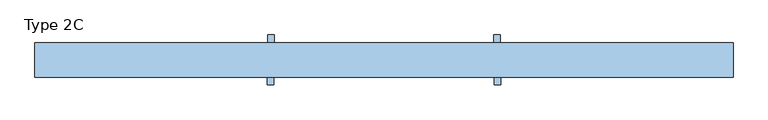
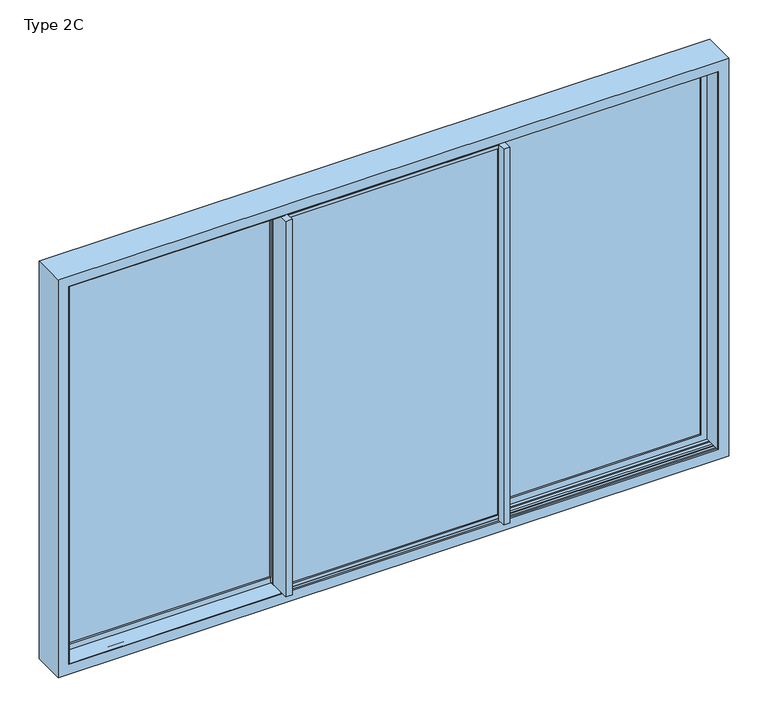
"""IFC4 building model written with IfcOpenShell, lengths in millimetres: window geometry, Type 2C."""

from ifc_helpers import new_model, si_unit, frame, origin, origin_with_axes, place, context, project, spatial, polyline, outline, extrude, faceted_brep, source, transform, mapped, element, save


def type_2c_edeb2201(model_context):
    return source(origin(), model_context, "Body", "SolidModel", [
        extrude(outline(polyline([(2120.2000011, -583.279797), (12.7999989, -583.279797), (12.7999989, 583.279797), (2120.2000011, 583.279797), (2120.2000011, -583.279797)]), holes=[polyline([(2101.4202041, 564.5), (31.5797959, 564.5), (31.5797959, -564.5), (2101.4202041, -564.5), (2101.4202041, 564.5)])]), frame((0.0, -17.0, 0.0), z_axis=(0.0, 1.0, 0.0), x_axis=(0.0, 0.0, 1.0)), (0.0, 0.0, 1.0), 7.7200134),
        faceted_brep([(595.5, -17.0, -15.1996996), (595.5, -14.5, -15.1996996), (595.5, -14.5, 2.7998487), (595.5, 47.5000001, 2.7998487), (595.5, 47.5000001, -15.1996996), (595.5, 50.0, -15.1996996), (595.5, 50.0, 5.8356019), (595.5, 69.4999931, 5.8356019), (595.5, 69.4999931, 2127.2000011), (595.5, 50.0, 2127.2000011), (595.5, 50.0, 2148.1996996), (595.5, 47.5000001, 2148.1996996), (595.5, 47.5000001, 2130.2001513), (595.5, -14.5, 2130.2001513), (595.5, -14.5, 2148.1996996), (595.5, -17.0, 2148.1996996), (-595.5, -17.0, -15.1996996), (-595.5, -14.5, -15.1996996), (-595.5, -14.5, 2.7998487), (-595.5, 47.5000001, 2.7998487), (-595.5, 47.5000001, -15.1996996), (-595.5, 50.0, -15.1996996), (-595.5, 50.0, 2148.1996996), (580.0, 50.0, 2127.2000011), (580.0, 50.0, 5.8356019), (-580.0, 50.0, 5.8356019), (-562.2, 50.0, 5.8356019), (-562.2, 50.0, 31.5797959), (562.2, 50.0, 31.5797959), (562.2, 50.0, 2101.4202041), (-562.2, 50.0, 2101.4202041), (-562.2, 50.0, 2127.2000011), (-580.0, 50.0, 2127.2000011), (580.0, 69.4999931, 5.8356019), (580.0, 69.4999931, 2127.2000011), (-595.5, -17.0, 2148.1996996), (583.279797, -17.0, 12.7999989), (-583.279797, -17.0, 12.7999989), (-583.279797, -17.0, 2120.2000011), (583.279797, -17.0, 2120.2000011), (-595.5, -14.5, 2148.1996996), (-595.5, -14.5, 2130.2001513), (-595.5, 47.5000001, 2130.2001513), (-595.5, 47.5000001, 2148.1996996), (-580.0, 69.4999931, 5.8356019), (-562.2, 69.4999931, 5.8356019), (-580.0, 69.4999931, 2127.2000011), (-562.2, 69.4999931, 2127.2000011), (-562.2, 40.0, 2101.4202041), (-562.2, 40.0, 31.5797959), (562.2, 40.0, 31.5797959), (562.2, 40.0, 2101.4202041), (583.279797, 40.0, 12.7999989), (583.279797, 40.0, 2120.2000011), (-583.279797, 40.0, 2120.2000011), (-583.279797, 40.0, 12.7999989)], [[[0, 1, 2, 3, 4, 5, 6, 7, 8, 9, 10, 11, 12, 13, 14, 15]], [[1, 0, 16, 17]], [[2, 1, 17, 18]], [[3, 2, 18, 19]], [[4, 3, 19, 20]], [[5, 4, 20, 21]], [[5, 21, 22, 10, 9, 23, 24, 6], [25, 26, 27, 28, 29, 30, 31, 32]], [[24, 33, 7, 6]], [[34, 8, 7, 33]], [[35, 16, 0, 15], [36, 37, 38, 39]], [[21, 20, 19, 18, 17, 16, 35, 40, 41, 42, 43, 22]], [[25, 44, 45, 26]], [[46, 47, 45, 44]], [[25, 32, 46, 44]], [[23, 34, 33, 24]], [[45, 47, 31, 30, 48, 49, 27, 26]], [[50, 28, 27, 49]], [[28, 50, 51, 29]], [[52, 53, 54, 55], [51, 50, 49, 48]], [[52, 36, 39, 53]], [[55, 54, 38, 37]], [[36, 52, 55, 37]], [[8, 34, 23, 9]], [[29, 51, 48, 30]], [[54, 53, 39, 38]], [[15, 14, 40, 35]], [[14, 13, 41, 40]], [[13, 12, 42, 41]], [[12, 11, 43, 42]], [[11, 10, 22, 43]], [[47, 46, 32, 31]]]),
        extrude(outline(polyline([(-583.279797, 40.0), (583.279797, 40.0), (583.279797, -9.2799866), (-583.279797, -9.2799866), (-583.279797, 40.0)])), frame((0.0, 0.0, 12.7999989), z_axis=(0.0, 0.0, 1.0), x_axis=(1.0, 0.0, 0.0)), (0.0, 0.0, 1.0), 2107.4000022),
        extrude(outline(polyline([(-564.5, -17.0), (-564.5, -66.0000069), (-598.5, -66.0000069), (-598.5, 49.9999931), (-595.5, 49.9999931), (-595.5, -17.0), (-564.5, -17.0)])), frame((0.0, 0.0, 5.8356019), z_axis=(0.0, 0.0, 1.0), x_axis=(1.0, 0.0, 0.0)), (0.0, 0.0, 1.0), 2121.3643992),
        extrude(outline(polyline([(564.5, -17.0), (595.5, -17.0), (595.5, 69.4999931), (598.5, 69.4999931), (598.5, -66.0000069), (564.5, -66.0000069), (564.5, -17.0)])), frame((0.0, 0.0, 5.8356019), z_axis=(0.0, 0.0, 1.0), x_axis=(1.0, 0.0, 0.0)), (0.0, 0.0, 1.0), 2121.3643992),
        extrude(outline(polyline([(2120.2000011, 576.720203), (12.7999989, 576.720203), (12.7999989, 1717.5000011), (2120.2000011, 1717.5000011), (2120.2000011, 576.720203)]), holes=[polyline([(2101.4202041, 1698.7202041), (31.5797959, 1698.7202041), (31.5797959, 595.5), (2101.4202041, 595.5), (2101.4202041, 1698.7202041)])]), frame((0.0, 132.2799866, 0.0), z_axis=(0.0, 1.0, 0.0), x_axis=(0.0, 0.0, 1.0)), (0.0, 0.0, 1.0), 7.7200134),
        faceted_brep([(1698.7202041, 73.0, 31.5797959), (1698.7202041, 83.0, 31.5797959), (597.8, 83.0, 31.5797959), (597.8, 73.0, 31.5797959), (1717.5000011, 83.0, 12.7999989), (1717.5000011, 140.0, 12.7999989), (576.720203, 140.0, 12.7999989), (576.720203, 83.0, 12.7999989), (564.5, 137.5, -15.1996996), (564.5, 140.0, -15.1996996), (1751.599999, 140.0, -15.1996996), (1751.599999, 73.0, -15.1996996), (564.5, 73.0, -15.1996996), (564.5, 75.4999999, -15.1996996), (1745.4996996, 75.4999999, -15.1996996), (1745.4996996, 137.5, -15.1996996), (564.5, 137.5, 2.7998487), (564.5, 75.4999999, 2.7998487), (564.5, 73.0, 5.8356019), (564.5, 73.0, 2127.2000011), (564.5, 73.0, 2148.1996996), (564.5, 75.4999999, 2148.1996996), (564.5, 75.4999999, 2130.2001513), (564.5, 137.5, 2130.2001513), (564.5, 137.5, 2148.1996996), (564.5, 140.0, 2148.1996996), (1751.599999, 140.0, 2148.1996996), (1717.5000011, 140.0, 2120.2000011), (576.720203, 140.0, 2120.2000011), (1751.599999, 73.0, 2148.1996996), (580.0, 73.0, 2127.2000011), (580.0, 73.0, 5.8356019), (1698.7202041, 73.0, 2101.4202041), (597.8, 73.0, 2101.4202041), (1717.5000011, 83.0, 2120.2000011), (576.720203, 83.0, 2120.2000011), (1698.7202041, 83.0, 2101.4202041), (597.8, 83.0, 2101.4202041), (1745.4996996, 137.5, 2148.1996996), (1727.5001513, 137.5, 2130.2001513), (1727.5001513, 137.5, 2.7998487), (1727.5001513, 75.4999999, 2.7998487), (1727.5001513, 75.4999999, 2130.2001513), (1745.4996996, 75.4999999, 2148.1996996), (580.0, 53.5, 5.8356019), (561.5, 53.5, 5.8356019), (561.5, 73.0, 5.8356019), (561.5, 73.0, 2127.2000011), (561.5, 53.5, 2127.2000011), (580.0, 53.5, 2127.2000011)], [[[0, 1, 2, 3]], [[4, 5, 6, 7]], [[8, 9, 10, 11, 12, 13, 14, 15]], [[9, 8, 16, 17, 13, 12, 18, 19, 20, 21, 22, 23, 24, 25]], [[26, 10, 9, 25], [5, 27, 28, 6]], [[11, 29, 20, 19, 30, 31, 18, 12], [32, 0, 3, 33]], [[34, 4, 7, 35], [1, 36, 37, 2]], [[16, 8, 15, 38, 24, 23, 39, 40]], [[17, 16, 40, 41]], [[13, 17, 41, 42, 22, 21, 43, 14]], [[0, 32, 36, 1]], [[2, 37, 33, 3]], [[11, 10, 26, 29]], [[4, 34, 27, 5]], [[6, 28, 35, 7]], [[15, 14, 43, 38]], [[40, 39, 42, 41]], [[21, 20, 29, 26, 25, 24, 38, 43]], [[23, 22, 42, 39]], [[36, 32, 33, 37]], [[27, 34, 35, 28]], [[31, 44, 45, 46, 18]], [[47, 48, 49, 30, 19]], [[49, 48, 45, 44]], [[46, 47, 19, 18]], [[30, 49, 44, 31]], [[48, 47, 46, 45]]]),
        extrude(outline(polyline([(1717.5000011, 83.0), (576.720203, 83.0), (576.720203, 132.2799866), (1717.5000011, 132.2799866), (1717.5000011, 83.0)])), frame((0.0, 0.0, 12.7999989), z_axis=(0.0, 0.0, 1.0), x_axis=(1.0, 0.0, 0.0)), (0.0, 0.0, 1.0), 2107.4000022),
        extrude(outline(polyline([(595.5, 140.0), (564.5, 140.0), (564.5, 73.0000069), (561.5, 73.0000069), (561.5, 189.0000069), (595.5, 189.0000069), (595.5, 140.0)])), frame((0.0, 0.0, 5.8356019), z_axis=(0.0, 0.0, 1.0), x_axis=(1.0, 0.0, 0.0)), (0.0, 0.0, 1.0), 2121.3643992),
        extrude(outline(polyline([(2120.2000011, -576.720203), (2120.2000011, -1717.5000011), (12.7999989, -1717.5000011), (12.7999989, -576.720203), (2120.2000011, -576.720203)]), holes=[polyline([(2101.4202041, -1698.7202041), (2101.4202041, -595.5), (31.5797959, -595.5), (31.5797959, -1698.7202041), (2101.4202041, -1698.7202041)])]), frame((0.0, 132.2799866, 0.0), z_axis=(0.0, 1.0, 0.0), x_axis=(0.0, 0.0, 1.0)), (0.0, 0.0, 1.0), 7.7200134),
        faceted_brep([(-1698.7202041, 73.0, 31.5797959), (-597.8, 73.0, 31.5797959), (-597.8, 83.0, 31.5797959), (-1698.7202041, 83.0, 31.5797959), (-1717.5000011, 83.0, 12.7999989), (-576.720203, 83.0, 12.7999989), (-576.720203, 140.0, 12.7999989), (-1717.5000011, 140.0, 12.7999989), (-564.5, 137.5, -15.1996996), (-1745.4996996, 137.5, -15.1996996), (-1745.4996996, 75.4999999, -15.1996996), (-564.5, 75.4999999, -15.1996996), (-564.5, 73.0, -15.1996996), (-1751.599999, 73.0, -15.1996996), (-1751.599999, 140.0, -15.1996996), (-564.5, 140.0, -15.1996996), (-564.5, 140.0, 2148.1996996), (-564.5, 137.5, 2148.1996996), (-564.5, 137.5, 2130.2001513), (-564.5, 75.4999999, 2130.2001513), (-564.5, 75.4999999, 2148.1996996), (-564.5, 73.0, 2148.1996996), (-564.5, 75.4999999, 2.7998487), (-564.5, 137.5, 2.7998487), (-1751.599999, 140.0, 2148.1996996), (-576.720203, 140.0, 2120.2000011), (-1717.5000011, 140.0, 2120.2000011), (-1751.599999, 73.0, 2148.1996996), (-1698.7202041, 73.0, 2101.4202041), (-597.8, 73.0, 2101.4202041), (-580.0, 73.0, 2127.2000011), (-580.0, 73.0, 5.8356019), (-597.5, 73.0, 5.8356019), (-597.5, 73.0, 2127.2000011), (-1717.5000011, 83.0, 2120.2000011), (-576.720203, 83.0, 2120.2000011), (-597.8, 83.0, 2101.4202041), (-1698.7202041, 83.0, 2101.4202041), (-1727.5001513, 137.5, 2.7998487), (-1727.5001513, 137.5, 2130.2001513), (-1745.4996996, 137.5, 2148.1996996), (-1727.5001513, 75.4999999, 2.7998487), (-1745.4996996, 75.4999999, 2148.1996996), (-1727.5001513, 75.4999999, 2130.2001513), (-580.0, 53.5, 5.8356019), (-597.5, 53.5, 5.8356019), (-597.5, 53.5, 2127.2000011), (-580.0, 53.5, 2127.2000011)], [[[0, 1, 2, 3]], [[4, 5, 6, 7]], [[8, 9, 10, 11, 12, 13, 14, 15]], [[15, 16, 17, 18, 19, 20, 21, 12, 11, 22, 23, 8]], [[24, 16, 15, 14], [7, 6, 25, 26]], [[13, 12, 21, 27], [28, 29, 1, 0], [30, 31, 32, 33]], [[34, 35, 5, 4], [3, 2, 36, 37]], [[23, 38, 39, 18, 17, 40, 9, 8]], [[22, 41, 38, 23]], [[11, 10, 42, 20, 19, 43, 41, 22]], [[0, 3, 37, 28]], [[2, 1, 29, 36]], [[13, 27, 24, 14]], [[4, 7, 26, 34]], [[6, 5, 35, 25]], [[9, 40, 42, 10]], [[38, 41, 43, 39]], [[20, 42, 40, 17, 16, 24, 27, 21]], [[18, 39, 43, 19]], [[37, 36, 29, 28]], [[26, 25, 35, 34]], [[32, 31, 44, 45]], [[30, 33, 46, 47]], [[46, 45, 44, 47]], [[33, 32, 45, 46]], [[47, 44, 31, 30]]]),
        extrude(outline(polyline([(-1717.5000011, 83.0), (-1717.5000011, 132.2799866), (-576.720203, 132.2799866), (-576.720203, 83.0), (-1717.5000011, 83.0)])), frame((0.0, 0.0, 12.7999989), z_axis=(0.0, 0.0, 1.0), x_axis=(1.0, 0.0, 0.0)), (0.0, 0.0, 1.0), 2107.4000022),
        extrude(outline(polyline([(-595.5, 140.0), (-595.5, 189.0000069), (-561.5, 189.0000069), (-561.5, 73.0000069), (-564.5, 73.0000069), (-564.5, 140.0), (-595.5, 140.0)])), frame((0.0, 0.0, 5.8356019), z_axis=(0.0, 0.0, 1.0), x_axis=(1.0, 0.0, 0.0)), (0.0, 0.0, 1.0), 2121.3643992),
        extrude(outline(polyline([(1733.0, 69.5), (1733.0, 53.5), (1763.5, 53.5), (1763.5, 44.65), (1733.0, 44.65), (1733.0, -11.65), (1763.5, -11.65), (1763.5, -20.5), (1733.0, -20.5), (1733.0, -27.0), (1731.3, -27.0), (1731.3, 69.5), (1733.0, 69.5)])), origin_with_axes(), (0.0, 0.0, 1.0), 2133.2),
        faceted_brep([(-580.0, 69.5, 0.0), (-580.0, 69.5, 1.7), (-580.0, -27.0, 1.7), (-580.0, -27.0, 0.0), (-580.0, -20.5, 0.0), (-580.0, -20.5, -30.5), (-580.0, -11.65, -30.5), (-580.0, -11.65, 0.0), (-580.0, 44.65, 0.0), (-580.0, 44.65, -30.5), (-580.0, 53.5, -30.5), (-580.0, 53.5, 0.0), (-580.0, 69.5, 2133.0), (-580.0, 69.5, 2131.3), (-1731.3, 69.5, 2131.3), (-1731.3, 69.5, 1.7), (-1733.0, 69.5, 0.0), (-1733.0, 69.5, 2133.0), (-1731.3, -27.0, 1.7), (-580.0, -27.0, 2131.3), (-580.0, -27.0, 2133.0), (-1733.0, -27.0, 2133.0), (-1733.0, -27.0, 0.0), (-1731.3, -27.0, 2131.3), (-1733.0, -20.5, 0.0), (-580.0, -20.5, 2133.0), (-580.0, -20.5, 2163.5), (-1763.5, -20.5, 2163.5), (-1763.5, -20.5, -30.5), (-1733.0, -20.5, 2133.0), (-1763.5, -11.65, -30.5), (-580.0, -11.65, 2163.5), (-580.0, -11.65, 2133.0), (-1733.0, -11.65, 2133.0), (-1733.0, -11.65, 0.0), (-1763.5, -11.65, 2163.5), (-1733.0, 44.65, 0.0), (-580.0, 44.65, 2133.0), (-580.0, 44.65, 2163.5), (-1763.5, 44.65, 2163.5), (-1763.5, 44.65, -30.5), (-1733.0, 44.65, 2133.0), (-1763.5, 53.5, -30.5), (-580.0, 53.5, 2163.5), (-580.0, 53.5, 2133.0), (-1733.0, 53.5, 2133.0), (-1733.0, 53.5, 0.0), (-1763.5, 53.5, 2163.5)], [[[0, 1, 2, 3, 4, 5, 6, 7, 8, 9, 10, 11]], [[12, 13, 14, 15, 1, 0, 16, 17]], [[15, 18, 2, 1]], [[19, 20, 21, 22, 3, 2, 18, 23]], [[22, 24, 4, 3]], [[25, 26, 27, 28, 5, 4, 24, 29]], [[28, 30, 6, 5]], [[31, 32, 33, 34, 7, 6, 30, 35]], [[34, 36, 8, 7]], [[37, 38, 39, 40, 9, 8, 36, 41]], [[40, 42, 10, 9]], [[43, 44, 45, 46, 11, 10, 42, 47]], [[46, 16, 0, 11]], [[45, 17, 16, 46]], [[39, 47, 42, 40]], [[33, 41, 36, 34]], [[27, 35, 30, 28]], [[21, 29, 24, 22]], [[14, 23, 18, 15]], [[12, 44, 43, 38, 37, 32, 31, 26, 25, 20, 19, 13]], [[44, 12, 17, 45]], [[38, 43, 47, 39]], [[32, 37, 41, 33]], [[26, 31, 35, 27]], [[20, 25, 29, 21]], [[13, 19, 23, 14]]]),
        faceted_brep([(-1790.0, -27.0, 2190.0), (-1790.0, 150.0, 2190.0), (-1790.0, 150.0, -57.0), (-1790.0, -27.0, -57.0), (1790.0, 150.0, -57.0), (1790.0, -27.0, -57.0), (1790.0, 150.0, 2190.0), (1733.0, 150.0, 0.0), (1733.0, 150.0, 2133.0), (-1733.0, 150.0, 2133.0), (-1733.0, 150.0, 0.0), (1790.0, -27.0, 2190.0), (-1733.0, -27.0, 0.0), (-1733.0, -27.0, 2133.0), (1733.0, -27.0, 2133.0), (1733.0, -27.0, 0.0), (-1733.0, -20.5, 2133.0), (-1733.0, -20.5, 0.0), (1733.0, -20.5, 0.0), (1733.0, -20.5, 2133.0), (-1763.5, -20.5, -30.5), (-1763.5, -20.5, 2163.5), (1763.5, -20.5, 2163.5), (1763.5, -20.5, -30.5), (-1763.5, 53.5, 2163.5), (-1763.5, 53.5, -30.5), (1763.5, 53.5, -30.5), (1763.5, 53.5, 2163.5), (-1733.0, 53.5, 0.0), (-1733.0, 53.5, 2133.0), (1733.0, 53.5, 2133.0), (1733.0, 53.5, 0.0), (-1733.0, 69.5, 2133.0), (-1733.0, 69.5, 0.0), (1733.0, 69.5, 0.0), (1733.0, 69.5, 2133.0), (-1763.5, 69.5, -30.5), (-1763.5, 69.5, 2163.5), (1763.5, 69.5, 2163.5), (1763.5, 69.5, -30.5), (-1763.5, 143.5, 2163.5), (-1763.5, 143.5, -30.5), (1763.5, 143.5, -30.5), (1763.5, 143.5, 2163.5), (-1733.0, 143.5, 0.0), (-1733.0, 143.5, 2133.0), (1733.0, 143.5, 2133.0), (1733.0, 143.5, 0.0)], [[[0, 1, 2, 3]], [[3, 2, 4, 5]], [[2, 1, 6, 4], [7, 8, 9, 10]], [[5, 4, 6, 11]], [[5, 11, 0, 3], [12, 13, 14, 15]], [[16, 13, 12, 17]], [[17, 12, 15, 18]], [[18, 15, 14, 19]], [[20, 21, 22, 23], [18, 19, 16, 17]], [[24, 21, 20, 25]], [[25, 20, 23, 26]], [[26, 23, 22, 27]], [[26, 27, 24, 25], [28, 29, 30, 31]], [[32, 29, 28, 33]], [[33, 28, 31, 34]], [[34, 31, 30, 35]], [[36, 37, 38, 39], [34, 35, 32, 33]], [[40, 37, 36, 41]], [[41, 36, 39, 42]], [[42, 39, 38, 43]], [[42, 43, 40, 41], [44, 45, 46, 47]], [[9, 45, 44, 10]], [[10, 44, 47, 7]], [[7, 47, 46, 8]], [[11, 6, 1, 0]], [[19, 14, 13, 16]], [[27, 22, 21, 24]], [[35, 30, 29, 32]], [[43, 38, 37, 40]], [[8, 46, 45, 9]]]),
        extrude(outline(polyline([(564.5, 150.0), (564.5, 53.5), (-564.5, 53.5), (-564.5, 150.0), (564.5, 150.0)])), frame((0.0, 0.0, -0.2), z_axis=(0.0, 0.0, 1.0), x_axis=(1.0, 0.0, 0.0)), (0.0, 0.0, 1.0), 2.0391373),
        extrude(outline(polyline([(80.0, -30.5), (80.0, -0.2), (96.2954822, -0.2), (106.5, -4.9584448), (116.7045178, -0.2), (133.0, -0.2), (133.0, -30.5), (80.0, -30.5)])), frame((-1763.5, 0.0, 0.0), z_axis=(1.0, 0.0, 0.0), x_axis=(0.0, 1.0, 0.0)), (0.0, 0.0, 1.0), 3527.0),
        extrude(outline(polyline([(43.0, -30.5), (-10.0, -30.5), (-10.0, -0.2), (6.2954822, -0.2), (16.5, -4.9584448), (26.7045178, -0.2), (43.0, -0.2), (43.0, -30.5)])), frame((-1763.5, 0.0, 0.0), z_axis=(1.0, 0.0, 0.0), x_axis=(0.0, 1.0, 0.0)), (0.0, 0.0, 1.0), 3527.0),
    ])


if __name__ == "__main__":
    model = new_model("IFC4")
    model_context = context("Model", 3, world=origin())
    ifc_project = project(units=[si_unit("LENGTHUNIT", "METRE", prefix="MILLI")], contexts=[model_context])
    site = spatial("IfcSite", under=ifc_project)
    building = spatial("IfcBuilding", under=site)
    placement = place(None, origin())
    type_2c_shape = type_2c_edeb2201(model_context)
    element("IfcWindow", 1, ObjectType="Type 2C", at=placement, inside=building, context=model_context, shape_type="MappedRepresentation", body=[
        mapped(type_2c_shape, transform((0.0, 0.0, 0.0), x_axis=(1.0, 0.0, 0.0), y_axis=(0.0, 1.0, 0.0), z_axis=(0.0, 0.0, 1.0))),
    ])
    save(model, "model.ifc")
